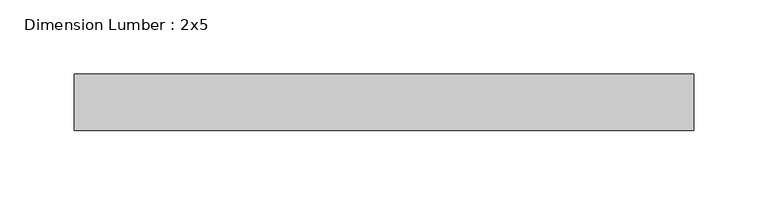
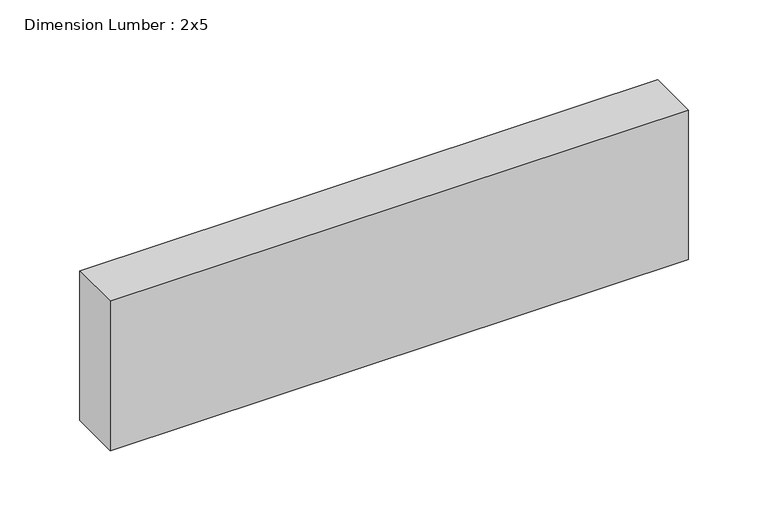
"""IFC4 building model written with IfcOpenShell, lengths in millimetres: beam geometry, Dimension Lumber : 2x5."""

import ifcopenshell
import ifcopenshell.guid

model = None  # the IFC model being written
_history = None  # IfcOwnerHistory: only IFC2X3 demands one
_inside = {}  # id of a spatial element -> (the spatial element, [elements in it])
_under = {}  # id of a project, library or spatial element -> (it, [spatial elements below it])
_declared = {}  # id of a project -> (the project, [libraries it declares])
_typed = {}  # id of a type object -> (the type object, [elements of that type])
_made_of = {}  # id of a material, layer set ... -> (it, [elements and type objects made of it])


def new_model(schema):
    """Start an empty IFC model of exactly this schema.

    Asked for "IFC4X3", IfcOpenShell would pick the latest addendum, in which some entities
    have other attributes; the version numbers below select the first issue.
    IFC2X3 requires an IfcOwnerHistory on every rooted entity: one is made here for all.
    """
    global model, _history
    if schema == "IFC4X3":
        model = ifcopenshell.file(schema_version=(4, 3, 0, 0))
    else:
        model = ifcopenshell.file(schema=schema)
    _inside.clear()
    _under.clear()
    _declared.clear()
    _typed.clear()
    _made_of.clear()
    _history = None
    if model.schema == "IFC2X3":
        org = make("IfcOrganization", Name="unknown")
        user = make(
            "IfcPersonAndOrganization",
            ThePerson=make("IfcPerson", FamilyName="unknown"),
            TheOrganization=org,
        )
        app = make(
            "IfcApplication",
            ApplicationDeveloper=org,
            Version="unknown",
            ApplicationFullName="unknown",
            ApplicationIdentifier="unknown",
        )
        _history = make(
            "IfcOwnerHistory",
            OwningUser=user,
            OwningApplication=app,
            ChangeAction="ADDED",
            CreationDate=0,
        )
    return model


def make(cls, **values):
    """One entity of the class cls with the attributes given. An attribute that is None is left unset."""
    return model.create_entity(
        cls, **{name: value for name, value in values.items() if value is not None}
    )


def rooted(cls, **values):
    """An entity with a GlobalId (a new one), such as an element, a storey or a relation."""
    return make(cls, GlobalId=ifcopenshell.guid.new(), OwnerHistory=_history, **values)


def si_unit(unit_type, name, prefix=None):
    """IfcSIUnit, for example si_unit("LENGTHUNIT", "METRE", prefix="MILLI")."""
    return make("IfcSIUnit", UnitType=unit_type, Prefix=prefix, Name=name)


def assignment(units):
    """IfcUnitAssignment: the units of a project."""
    return None if units is None else make("IfcUnitAssignment", Units=units)


def point(xyz):
    """IfcCartesianPoint."""
    return None if xyz is None else make("IfcCartesianPoint", Coordinates=xyz)


def direction(xyz):
    """IfcDirection."""
    return None if xyz is None else make("IfcDirection", DirectionRatios=xyz)


def frame(location, z_axis=None, x_axis=None):
    """IfcAxis2Placement3D, a coordinate frame: its origin and axes. An axis left out is left unset."""
    return make(
        "IfcAxis2Placement3D",
        Location=point(location),
        Axis=direction(z_axis),
        RefDirection=direction(x_axis),
    )


def origin():
    """The frame at (0, 0, 0) with its axes left unset."""
    return frame((0.0, 0.0, 0.0))


def place(relative_to, where):
    """IfcLocalPlacement: puts the frame where relative to a parent placement (None: the world)."""
    return make(
        "IfcLocalPlacement", PlacementRelTo=relative_to, RelativePlacement=where
    )


def context(
    kind, dimensions, precision=None, world=None, true_north=None, identifier=None
):
    """IfcGeometricRepresentationContext, for example the 3D "Model" context."""
    return make(
        "IfcGeometricRepresentationContext",
        ContextIdentifier=identifier,
        ContextType=kind,
        CoordinateSpaceDimension=dimensions,
        Precision=precision,
        WorldCoordinateSystem=world,
        TrueNorth=true_north,
    )


def project(units=None, contexts=None):
    """IfcProject with its units and contexts."""
    return rooted(
        "IfcProject",
        Name="project",
        RepresentationContexts=contexts,
        UnitsInContext=assignment(units),
    )


def spatial(cls, under=None, at=None, **own):
    """A site, building, storey or space (cls), placed at a placement, below another one or the project."""
    s = rooted(cls, ObjectPlacement=at, **own)
    if under is not None:
        _under.setdefault(under.id(), (under, []))[1].append(s)
    return s


def polyline(points):
    """IfcPolyline through the points."""
    return make("IfcPolyline", Points=[point(p) for p in points])


def outline(outer, holes=None, kind="AREA"):
    """IfcArbitraryClosedProfileDef: a profile drawn as a closed curve; with holes, ...WithVoids."""
    if holes is None:
        return make("IfcArbitraryClosedProfileDef", ProfileType=kind, OuterCurve=outer)
    return make(
        "IfcArbitraryProfileDefWithVoids",
        ProfileType=kind,
        OuterCurve=outer,
        InnerCurves=holes,
    )


def extrude(swept, where, along, depth):
    """IfcExtrudedAreaSolid: the profile swept, set in the frame where, extruded along a direction by depth."""
    return make(
        "IfcExtrudedAreaSolid",
        SweptArea=swept,
        Position=where,
        ExtrudedDirection=direction(along),
        Depth=depth,
    )


def shape(context_of_items, identifier, shape_type, items):
    """IfcShapeRepresentation: the items that make up one representation, for example the "Body"."""
    return make(
        "IfcShapeRepresentation",
        ContextOfItems=context_of_items,
        RepresentationIdentifier=identifier,
        RepresentationType=shape_type,
        Items=items,
    )


def source(mapping_origin, context_of_items, identifier, shape_type, items):
    """IfcRepresentationMap: a shape defined once, which mapped items show again and again."""
    return make(
        "IfcRepresentationMap",
        MappingOrigin=mapping_origin,
        MappedRepresentation=shape(context_of_items, identifier, shape_type, items),
    )


def transform(
    local_origin,
    x_axis=None,
    y_axis=None,
    z_axis=None,
    scale=None,
    scale2=None,
    scale3=None,
    uniform=True,
):
    """IfcCartesianTransformationOperator3D, or its non-uniform kind. x_axis, y_axis, z_axis: its Axis1, 2, 3."""
    if uniform:
        return make(
            "IfcCartesianTransformationOperator3D",
            Axis1=direction(x_axis),
            Axis2=direction(y_axis),
            LocalOrigin=point(local_origin),
            Scale=scale,
            Axis3=direction(z_axis),
        )
    return make(
        "IfcCartesianTransformationOperator3DnonUniform",
        Axis1=direction(x_axis),
        Axis2=direction(y_axis),
        LocalOrigin=point(local_origin),
        Scale=scale,
        Axis3=direction(z_axis),
        Scale2=scale2,
        Scale3=scale3,
    )


def mapped(mapping_source, mapping_target):
    """IfcMappedItem: shows the shape of a source again, moved by a transform."""
    return make(
        "IfcMappedItem", MappingSource=mapping_source, MappingTarget=mapping_target
    )


def made_of(thing, what):
    """Note that an element or type object is made of a material, layer set ...; save() writes the relation."""
    if what is not None:
        _made_of.setdefault(what.id(), (what, []))[1].append(thing)
    return thing


def element(
    cls,
    number,
    at=None,
    inside=None,
    cuts=None,
    type_object=None,
    material=None,
    context=None,
    identifier="Body",
    shape_type=None,
    held_by="IfcProductDefinitionShape",
    body=None,
    shapes=None,
    **own,
):
    """One element of the class cls, such as IfcWall. Its Tag is "e" and its number.

    at: its placement. inside: the storey or other place that contains it. cuts: it is an
    opening in that element (IfcRelVoidsElement). A single representation is given by context,
    identifier, shape_type and body (its items); several are given by shapes. held_by: the class
    of the entity that holds the representations. save() writes the other relations.
    """
    e = rooted(cls, Tag="e%d" % number, ObjectPlacement=at, **own)
    if body is not None:
        shapes = [shape(context, identifier, shape_type, body)]
    if shapes is not None:
        e.Representation = make(held_by, Representations=shapes)
    if inside is not None:
        _inside.setdefault(inside.id(), (inside, []))[1].append(e)
    if cuts is not None:
        rooted(
            "IfcRelVoidsElement", RelatingBuildingElement=cuts, RelatedOpeningElement=e
        )
    if type_object is not None:
        _typed.setdefault(type_object.id(), (type_object, []))[1].append(e)
    return made_of(e, material)


def aggregate(whole, parts):
    """IfcRelAggregates: a whole, such as a stair, and the parts it consists of."""
    return rooted("IfcRelAggregates", RelatingObject=whole, RelatedObjects=parts)


def save(model, path):
    """Write the relations noted so far, then the file.

    IfcRelAggregates (storeys below a building ...), IfcRelContainedInSpatialStructure (elements
    in a storey), IfcRelDefinesByType, IfcRelAssociatesMaterial and IfcRelDeclares: one each for
    every whole, place, type object, material and project.
    """
    for whole, parts in _under.values():
        aggregate(whole, parts)
    for where, things in _inside.values():
        rooted(
            "IfcRelContainedInSpatialStructure",
            RelatedElements=things,
            RelatingStructure=where,
        )
    for kind, things in _typed.values():
        rooted("IfcRelDefinesByType", RelatedObjects=things, RelatingType=kind)
    for what, things in _made_of.values():
        rooted("IfcRelAssociatesMaterial", RelatedObjects=things, RelatingMaterial=what)
    for by, libraries in _declared.values():
        rooted("IfcRelDeclares", RelatingContext=by, RelatedDefinitions=libraries)
    model.write(path)


def dimension_lumber_2x5_e985ffb4(model_context):
    return source(origin(), model_context, "Body", "SweptSolid", [
        extrude(outline(polyline([(208.5711544, 19.05), (208.5711544, -19.05), (-208.5711544, -19.05), (-208.5711544, 19.05), (208.5711544, 19.05)])), frame((0.0, 0.0, -57.15), z_axis=(0.0, 0.0, 1.0), x_axis=(1.0, 0.0, 0.0)), (0.0, 0.0, 1.0), 114.3),
    ])


if __name__ == "__main__":
    model = new_model("IFC4")
    model_context = context("Model", 3, world=origin())
    ifc_project = project(units=[si_unit("LENGTHUNIT", "METRE", prefix="MILLI")], contexts=[model_context])
    site = spatial("IfcSite", under=ifc_project)
    building = spatial("IfcBuilding", under=site)
    placement = place(None, origin())
    dimension_lumber_2x5_shape = dimension_lumber_2x5_e985ffb4(model_context)
    element("IfcBeam", 1, ObjectType="Dimension Lumber : 2x5", at=placement, inside=building, context=model_context, shape_type="MappedRepresentation", body=[
        mapped(dimension_lumber_2x5_shape, transform((0.0, 0.0, 0.0), x_axis=(1.0, 0.0, 0.0), y_axis=(0.0, 1.0, 0.0), z_axis=(0.0, 0.0, 1.0))),
    ])
    save(model, "model.ifc")
